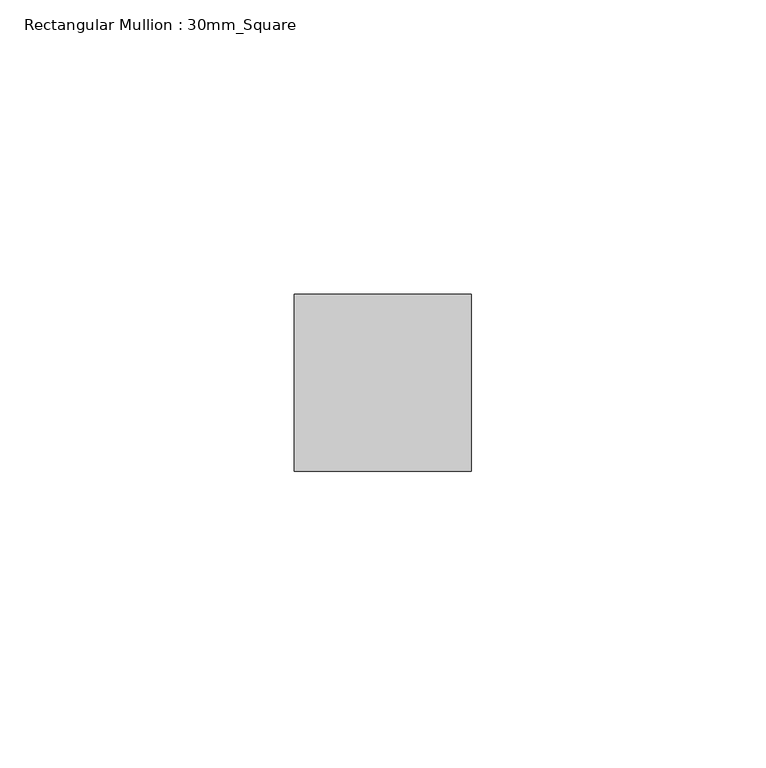
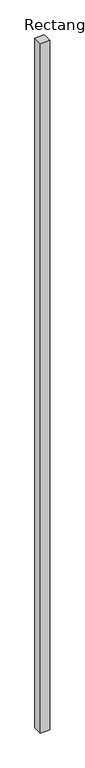
"""IFC4 building model written with IfcOpenShell, lengths in millimetres: member geometry, Rectangular Mullion : 30mm_Square."""

from ifc_helpers import new_model, si_unit, frame, origin, place, context, project, spatial, polyline, outline, extrude, source, transform, mapped, element, save


def rectangular_mullion_30mm_square_364816fe(model_context):
    return source(origin(), model_context, "Body", "SweptSolid", [
        extrude(outline(polyline([(0.0, 15.0), (0.0, -15.0), (-30.0, -15.0), (-30.0, 15.0), (0.0, 15.0)])), frame((0.0, 0.0, -2300.0), z_axis=(0.0, 0.0, 1.0), x_axis=(1.0, 0.0, 0.0)), (0.0, 0.0, 1.0), 2300.0),
    ])


if __name__ == "__main__":
    model = new_model("IFC4")
    model_context = context("Model", 3, world=origin())
    ifc_project = project(units=[si_unit("LENGTHUNIT", "METRE", prefix="MILLI")], contexts=[model_context])
    site = spatial("IfcSite", under=ifc_project)
    building = spatial("IfcBuilding", under=site)
    placement = place(None, origin())
    rectangular_mullion_30mm_square_shape = rectangular_mullion_30mm_square_364816fe(model_context)
    element("IfcMember", 1, ObjectType="Rectangular Mullion : 30mm_Square", at=placement, inside=building, context=model_context, shape_type="MappedRepresentation", body=[
        mapped(rectangular_mullion_30mm_square_shape, transform((0.0, 0.0, 0.0), x_axis=(1.0, 0.0, 0.0), y_axis=(0.0, 1.0, 0.0), z_axis=(0.0, 0.0, 1.0))),
    ])
    save(model, "model.ifc")
